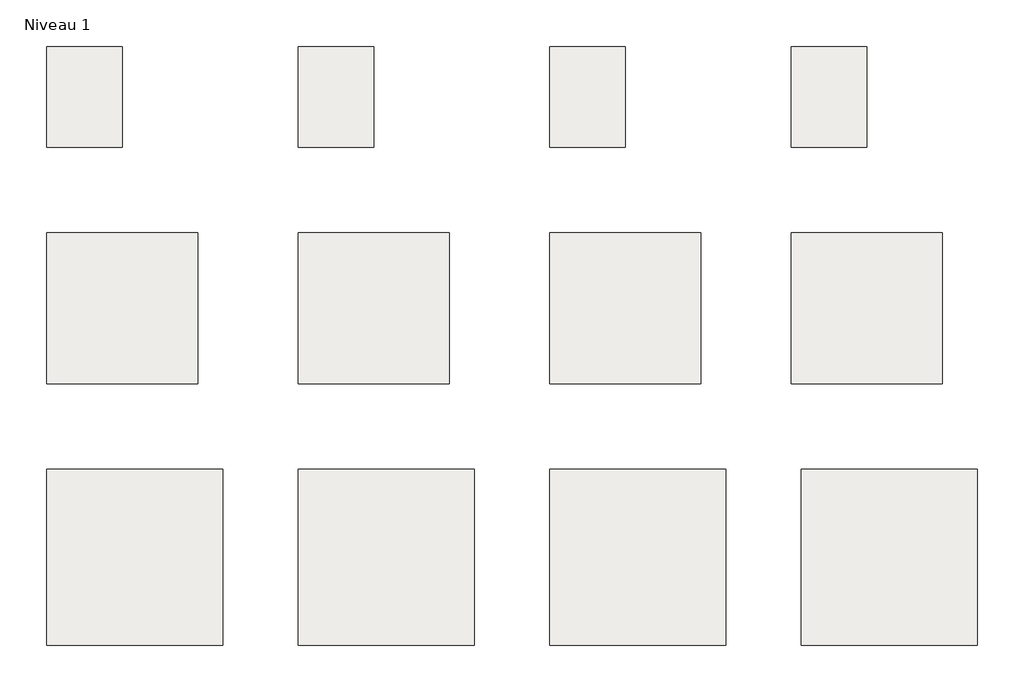
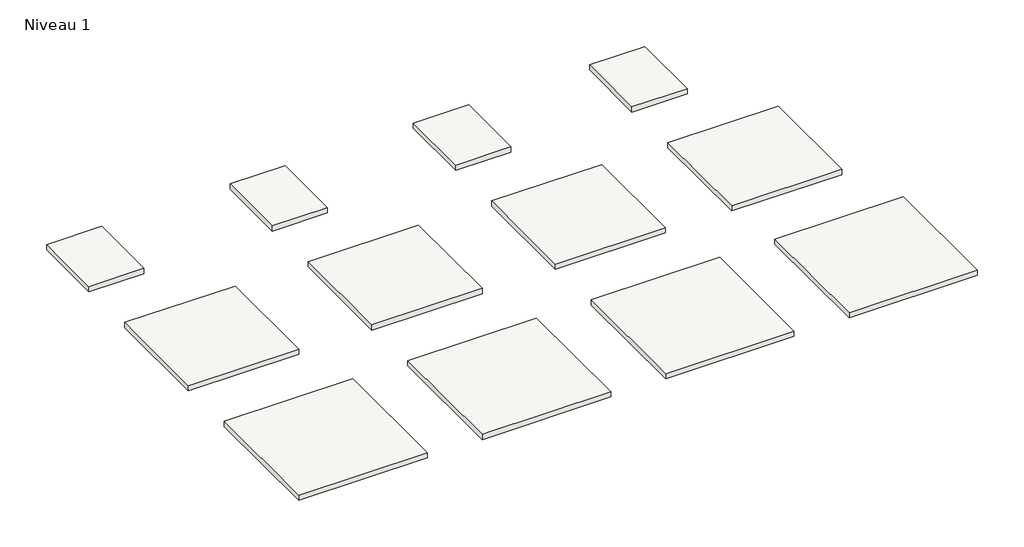
# One storey: 12 slabs.
"""IFC4 building model written with IfcOpenShell, lengths in millimetres."""

from ifc_helpers import new_model, si_unit, frame, origin, place, context, project, spatial, polyline, outline, extrude, element, save

model = new_model("IFC4")

# Units and contexts
model_context = context("Model", 3, world=origin())
ifc_project = project(units=[si_unit("LENGTHUNIT", "METRE", prefix="MILLI")], contexts=[model_context])

# Site, building, storey
site = spatial("IfcSite", under=ifc_project)
building = spatial("IfcBuilding", under=site)
storey = spatial("IfcBuildingStorey", under=building, Name="Niveau 1", Elevation=0.0)

# Slabs
placement = place(None, origin())
element("IfcSlab", 1, ObjectType="Radier 150 mm", at=placement, inside=storey, context=model_context, shape_type="SweptSolid", body=[
    extrude(outline(polyline([(-5195.1576009, 9044.7924695), (-5195.1576009, 6044.7924695), (-8195.1576009, 6044.7924695), (-8195.1576009, 9044.7924695), (-5195.1576009, 9044.7924695)])), frame((0.0, 0.0, -150.0), z_axis=(0.0, 0.0, 1.0), x_axis=(1.0, 0.0, 0.0)), (0.0, 0.0, 1.0), 150.0),
])
element("IfcSlab", 2, ObjectType="Radier 150 mm", at=placement, inside=storey, context=model_context, shape_type="SweptSolid", body=[
    extrude(outline(polyline([(-195.1576009, 9044.7924695), (-195.1576009, 6044.7924695), (-3195.1576009, 6044.7924695), (-3195.1576009, 9044.7924695), (-195.1576009, 9044.7924695)])), frame((0.0, 0.0, -150.0), z_axis=(0.0, 0.0, 1.0), x_axis=(1.0, 0.0, 0.0)), (0.0, 0.0, 1.0), 150.0),
])
element("IfcSlab", 3, ObjectType="Radier 150 mm", at=placement, inside=storey, context=model_context, shape_type="SweptSolid", body=[
    extrude(outline(polyline([(4804.8423991, 9044.7924695), (4804.8423991, 6044.7924695), (1804.8423991, 6044.7924695), (1804.8423991, 9044.7924695), (4804.8423991, 9044.7924695)])), frame((0.0, 0.0, -150.0), z_axis=(0.0, 0.0, 1.0), x_axis=(1.0, 0.0, 0.0)), (0.0, 0.0, 1.0), 150.0),
])
element("IfcSlab", 4, ObjectType="Radier 150 mm", at=placement, inside=storey, context=model_context, shape_type="SweptSolid", body=[
    extrude(outline(polyline([(9604.8423991, 9044.7924695), (9604.8423991, 6044.7924695), (6604.8423991, 6044.7924695), (6604.8423991, 9044.7924695), (9604.8423991, 9044.7924695)])), frame((0.0, 0.0, -150.0), z_axis=(0.0, 0.0, 1.0), x_axis=(1.0, 0.0, 0.0)), (0.0, 0.0, 1.0), 150.0),
])
element("IfcSlab", 5, ObjectType="Radier 150 mm", at=placement, inside=storey, context=model_context, shape_type="SweptSolid", body=[
    extrude(outline(polyline([(-4695.1576009, 4344.7924695), (-4695.1576009, 844.7924695), (-8195.1576009, 844.7924695), (-8195.1576009, 4344.7924695), (-4695.1576009, 4344.7924695)])), frame((0.0, 0.0, -150.0), z_axis=(0.0, 0.0, 1.0), x_axis=(1.0, 0.0, 0.0)), (0.0, 0.0, 1.0), 150.0),
])
element("IfcSlab", 6, ObjectType="Radier 150 mm", at=placement, inside=storey, context=model_context, shape_type="SweptSolid", body=[
    extrude(outline(polyline([(304.8423991, 4344.7924695), (304.8423991, 844.7924695), (-3195.1576009, 844.7924695), (-3195.1576009, 4344.7924695), (304.8423991, 4344.7924695)])), frame((0.0, 0.0, -150.0), z_axis=(0.0, 0.0, 1.0), x_axis=(1.0, 0.0, 0.0)), (0.0, 0.0, 1.0), 150.0),
])
element("IfcSlab", 7, ObjectType="Radier 150 mm", at=placement, inside=storey, context=model_context, shape_type="SweptSolid", body=[
    extrude(outline(polyline([(5304.8423991, 4344.7924695), (5304.8423991, 844.7924695), (1804.8423991, 844.7924695), (1804.8423991, 4344.7924695), (5304.8423991, 4344.7924695)])), frame((0.0, 0.0, -150.0), z_axis=(0.0, 0.0, 1.0), x_axis=(1.0, 0.0, 0.0)), (0.0, 0.0, 1.0), 150.0),
])
element("IfcSlab", 8, ObjectType="Radier 150 mm", at=placement, inside=storey, context=model_context, shape_type="SweptSolid", body=[
    extrude(outline(polyline([(10304.8423991, 4344.7924695), (10304.8423991, 844.7924695), (6804.8423991, 844.7924695), (6804.8423991, 4344.7924695), (10304.8423991, 4344.7924695)])), frame((0.0, 0.0, -150.0), z_axis=(0.0, 0.0, 1.0), x_axis=(1.0, 0.0, 0.0)), (0.0, 0.0, 1.0), 150.0),
])
element("IfcSlab", 9, ObjectType="Radier 150 mm", at=placement, inside=storey, context=model_context, shape_type="SweptSolid", body=[
    extrude(outline(polyline([(-6695.1576009, 12744.7924695), (-6695.1576009, 10744.7924695), (-8195.1576009, 10744.7924695), (-8195.1576009, 12744.7924695), (-6695.1576009, 12744.7924695)])), frame((0.0, 0.0, -150.0), z_axis=(0.0, 0.0, 1.0), x_axis=(1.0, 0.0, 0.0)), (0.0, 0.0, 1.0), 150.0),
])
element("IfcSlab", 10, ObjectType="Radier 150 mm", at=placement, inside=storey, context=model_context, shape_type="SweptSolid", body=[
    extrude(outline(polyline([(-1695.1576009, 12744.7924695), (-1695.1576009, 10744.7924695), (-3195.1576009, 10744.7924695), (-3195.1576009, 12744.7924695), (-1695.1576009, 12744.7924695)])), frame((0.0, 0.0, -150.0), z_axis=(0.0, 0.0, 1.0), x_axis=(1.0, 0.0, 0.0)), (0.0, 0.0, 1.0), 150.0),
])
element("IfcSlab", 11, ObjectType="Radier 150 mm", at=placement, inside=storey, context=model_context, shape_type="SweptSolid", body=[
    extrude(outline(polyline([(3304.8423991, 12744.7924695), (3304.8423991, 10744.7924695), (1804.8423991, 10744.7924695), (1804.8423991, 12744.7924695), (3304.8423991, 12744.7924695)])), frame((0.0, 0.0, -150.0), z_axis=(0.0, 0.0, 1.0), x_axis=(1.0, 0.0, 0.0)), (0.0, 0.0, 1.0), 150.0),
])
element("IfcSlab", 12, ObjectType="Radier 150 mm", at=placement, inside=storey, context=model_context, shape_type="SweptSolid", body=[
    extrude(outline(polyline([(8104.8423991, 12744.7924695), (8104.8423991, 10744.7924695), (6604.8423991, 10744.7924695), (6604.8423991, 12744.7924695), (8104.8423991, 12744.7924695)])), frame((0.0, 0.0, -150.0), z_axis=(0.0, 0.0, 1.0), x_axis=(1.0, 0.0, 0.0)), (0.0, 0.0, 1.0), 150.0),
])

save(model, "model.ifc")
